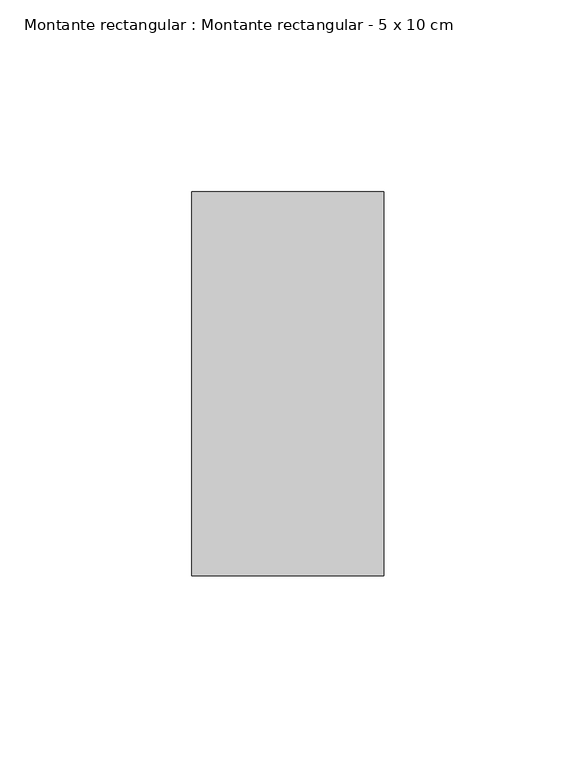
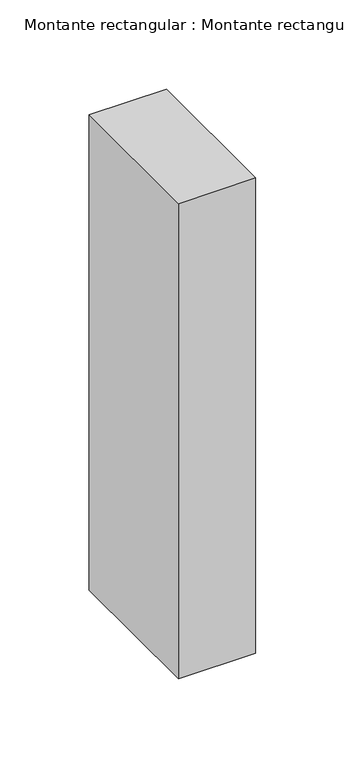
"""IFC4 building model written with IfcOpenShell, lengths in millimetres: member geometry, Montante rectangular : Montante rectangular - 5 x 10 cm."""

from ifc_helpers import new_model, si_unit, frame, origin, place, context, project, spatial, polyline, outline, extrude, source, transform, mapped, element, save


def montante_rectangular_montante_rectangular_5_x_10_cm_045ff868(model_context):
    return source(origin(), model_context, "Body", "SweptSolid", [
        extrude(outline(polyline([(0.0, 50.0), (0.0, -50.0), (-50.0, -50.0), (-50.0, 50.0), (0.0, 50.0)])), frame((0.0, 0.0, -325.0), z_axis=(0.0, 0.0, 1.0), x_axis=(1.0, 0.0, 0.0)), (0.0, 0.0, 1.0), 325.0),
    ])


if __name__ == "__main__":
    model = new_model("IFC4")
    model_context = context("Model", 3, world=origin())
    ifc_project = project(units=[si_unit("LENGTHUNIT", "METRE", prefix="MILLI")], contexts=[model_context])
    site = spatial("IfcSite", under=ifc_project)
    building = spatial("IfcBuilding", under=site)
    placement = place(None, origin())
    montante_rectangular_montante_rectangular_5_x_10_cm_shape = montante_rectangular_montante_rectangular_5_x_10_cm_045ff868(model_context)
    element("IfcMember", 1, ObjectType="Montante rectangular : Montante rectangular - 5 x 10 cm", at=placement, inside=building, context=model_context, shape_type="MappedRepresentation", body=[
        mapped(montante_rectangular_montante_rectangular_5_x_10_cm_shape, transform((0.0, 0.0, 0.0), x_axis=(1.0, 0.0, 0.0), y_axis=(0.0, 1.0, 0.0), z_axis=(0.0, 0.0, 1.0))),
    ])
    save(model, "model.ifc")
